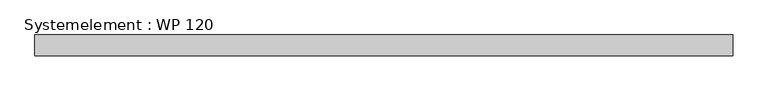
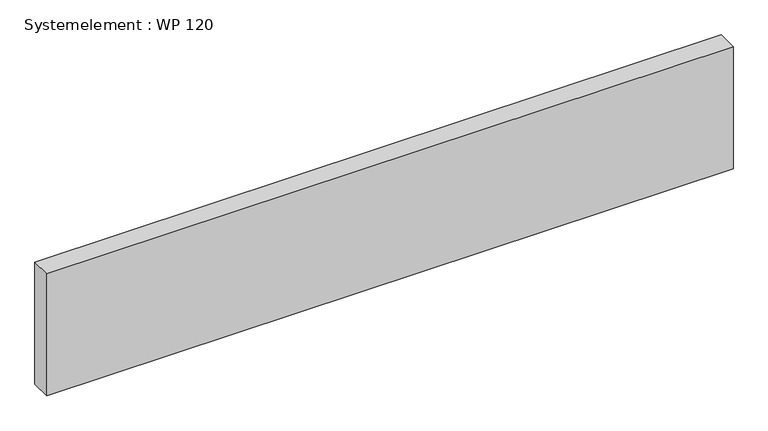
"""IFC4 building model written with IfcOpenShell, lengths in millimetres: plate geometry, Systemelement : WP 120."""

from ifc_helpers import new_model, si_unit, origin, origin_with_axes, place, context, project, spatial, polyline, outline, extrude, source, transform, mapped, element, save


def systemelement_wp_120_2da2ffeb(model_context):
    return source(origin(), model_context, "Body", "SweptSolid", [
        extrude(outline(polyline([(2000.0, -120.0), (-2000.0, -120.0), (-2000.0, 0.0), (2000.0, 0.0), (2000.0, -120.0)])), origin_with_axes(), (0.0, 0.0, 1.0), 751.6147161),
    ])


if __name__ == "__main__":
    model = new_model("IFC4")
    model_context = context("Model", 3, world=origin())
    ifc_project = project(units=[si_unit("LENGTHUNIT", "METRE", prefix="MILLI")], contexts=[model_context])
    site = spatial("IfcSite", under=ifc_project)
    building = spatial("IfcBuilding", under=site)
    placement = place(None, origin())
    systemelement_wp_120_shape = systemelement_wp_120_2da2ffeb(model_context)
    element("IfcPlate", 1, ObjectType="Systemelement : WP 120", at=placement, inside=building, context=model_context, shape_type="MappedRepresentation", body=[
        mapped(systemelement_wp_120_shape, transform((0.0, 0.0, 0.0), x_axis=(1.0, 0.0, 0.0), y_axis=(0.0, 1.0, 0.0), z_axis=(0.0, 0.0, 1.0))),
    ])
    save(model, "model.ifc")
